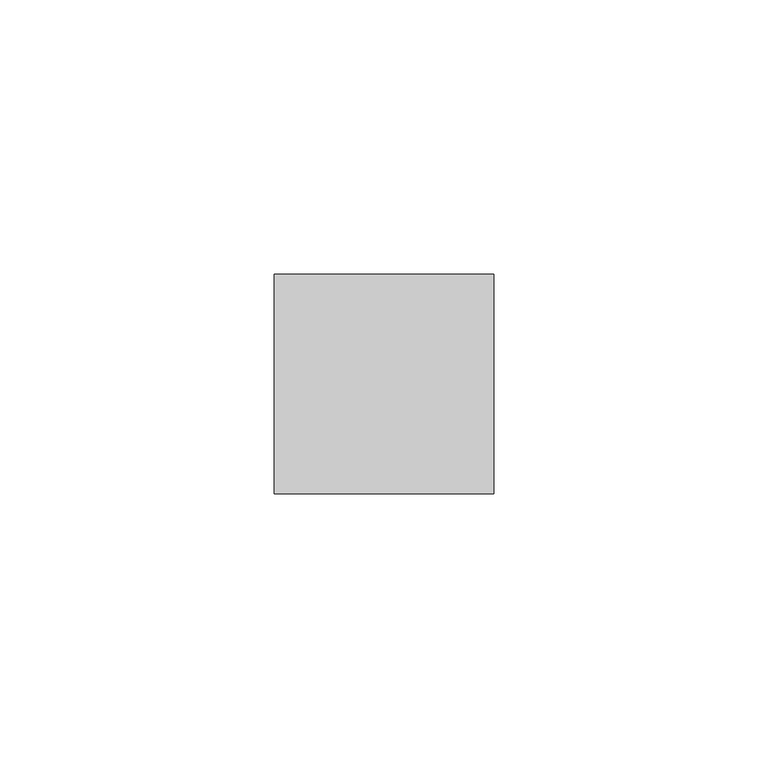
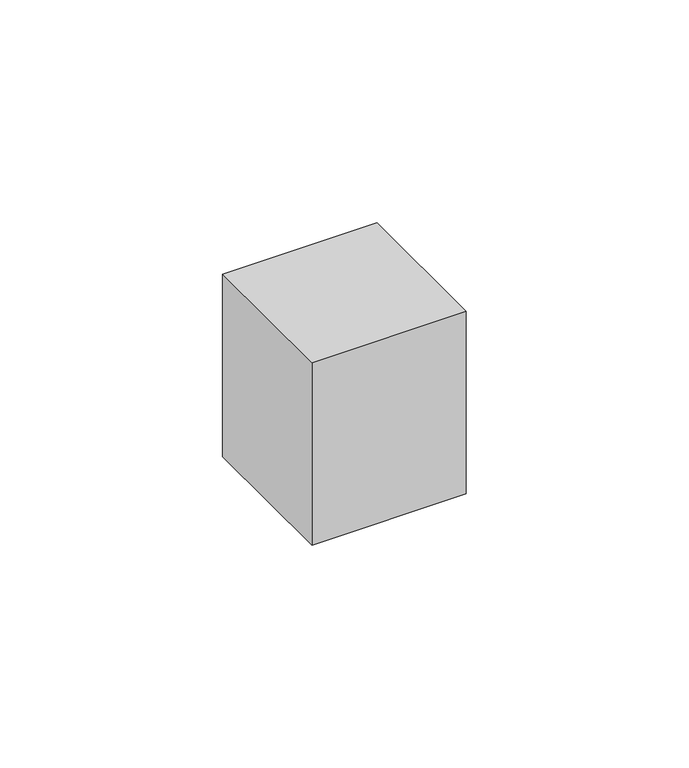
"""IFC4 building model written with IfcOpenShell, lengths in millimetres: proxy geometry."""

from ifc_helpers import new_model, si_unit, frame, origin, place, context, project, spatial, polyline, outline, extrude, source, transform, mapped, element, save


def generic_models_32e581bd(model_context):
    return source(origin(), model_context, "Body", "SweptSolid", [
        extrude(outline(polyline([(40.0, 40.0), (40.0, 0.0), (0.0, 0.0), (0.0, 40.0), (40.0, 40.0)])), frame((0.0, 0.0, 160.0), z_axis=(0.0, 0.0, 1.0), x_axis=(1.0, 0.0, 0.0)), (0.0, 0.0, 1.0), 50.0),
    ])


if __name__ == "__main__":
    model = new_model("IFC4")
    model_context = context("Model", 3, world=origin())
    ifc_project = project(units=[si_unit("LENGTHUNIT", "METRE", prefix="MILLI")], contexts=[model_context])
    site = spatial("IfcSite", under=ifc_project)
    building = spatial("IfcBuilding", under=site)
    placement = place(None, origin())
    generic_models_shape = generic_models_32e581bd(model_context)
    element("IfcBuildingElementProxy", 1, Name="Generic Models", at=placement, inside=building, context=model_context, shape_type="MappedRepresentation", body=[
        mapped(generic_models_shape, transform((0.0, 0.0, 0.0), x_axis=(1.0, 0.0, 0.0), y_axis=(0.0, 1.0, 0.0), z_axis=(0.0, 0.0, 1.0))),
    ])
    save(model, "model.ifc")
